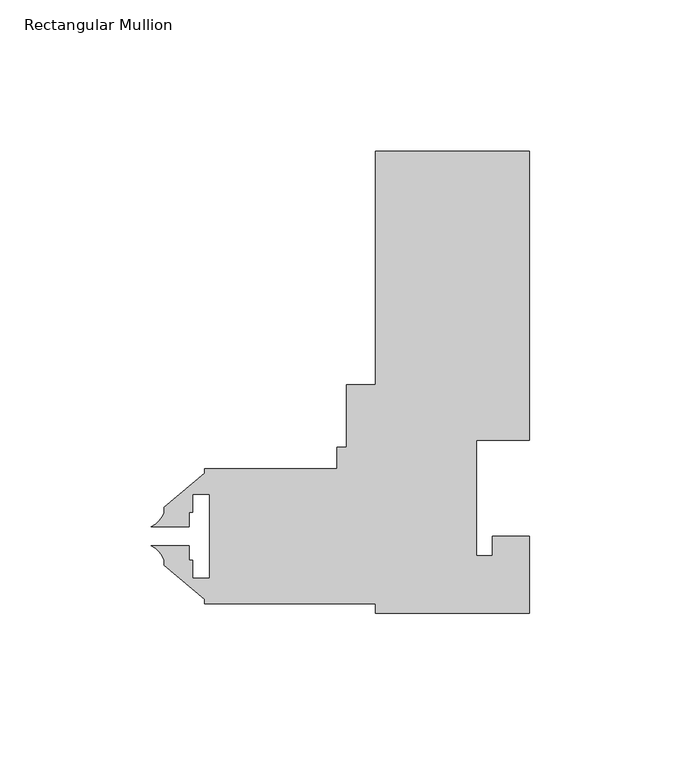
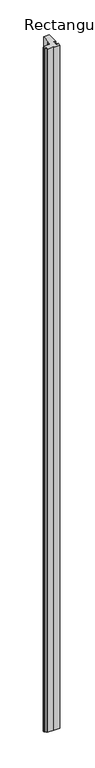
"""IFC4 building model written with IfcOpenShell, lengths in millimetres: member geometry, Rectangular Mullion."""

from ifc_helpers import new_model, si_unit, point, frame, frame_2d, origin, place, context, project, spatial, polyline, circle_curve, trimmed, segment, composite_curve, outline, extrude, source, transform, mapped, element, save


def rectangular_mullion_c13cd986(model_context):
    return source(origin(), model_context, "Body", "SweptSolid", [
        extrude(outline(composite_curve([segment(polyline([(-25.4, 75.4126), (-25.4, 152.4), (25.4, 152.4), (25.4, 57.15), (7.9502, 57.15), (7.9502, 19.05), (13.2080102, 19.05), (13.2080102, 25.4), (25.4, 25.4), (25.4, 0.0), (-25.4, 0.0), (-25.4, 3.175), (-81.75625, 3.175), (-81.75625, 4.5691667), (-95.21825, 15.865126), (-95.21825, 17.5532603)]), True, "CONTINUOUS"), segment(trimmed(circle_curve(frame_2d((-102.5942524, 15.1631039)), 7.7535965), [point((-95.21825, 17.5532603))], [point((-99.4160584, 22.2353979))], True, "CARTESIAN"), True, "CONTINUOUS"), segment(polyline([(-99.4160584, 22.2353979), (-86.92348, 22.2353979), (-86.92348, 17.47266), (-85.79485, 17.47266), (-85.79485, 11.50366), (-80.18145, 11.50366), (-80.18145, 39.29126), (-85.79485, 39.29126), (-85.79485, 33.32226), (-86.92348, 33.32226), (-86.92348, 28.5595155), (-99.4160731, 28.5595155)]), True, "CONTINUOUS"), segment(trimmed(circle_curve(frame_2d((-102.5942524, 35.6318161)), 7.7535965), [point((-99.4160731, 28.5595155))], [point((-95.21825, 33.2416597))], True, "CARTESIAN"), True, "CONTINUOUS"), segment(polyline([(-95.21825, 33.2416597), (-95.21825, 34.929794), (-81.75625, 46.2257533), (-81.75625, 47.625), (-38.1, 47.625), (-38.1, 54.7878), (-34.925, 54.7878), (-34.925, 75.4126), (-25.4, 75.4126)]), True, "CONTINUOUS")], self_intersect=False)), frame((0.0, 0.0, -6181.5245183), z_axis=(0.0, 0.0, 1.0), x_axis=(1.0, 0.0, 0.0)), (0.0, 0.0, 1.0), 6181.5245183),
    ])


if __name__ == "__main__":
    model = new_model("IFC4")
    model_context = context("Model", 3, world=origin())
    ifc_project = project(units=[si_unit("LENGTHUNIT", "METRE", prefix="MILLI")], contexts=[model_context])
    site = spatial("IfcSite", under=ifc_project)
    building = spatial("IfcBuilding", under=site)
    placement = place(None, origin())
    rectangular_mullion_shape = rectangular_mullion_c13cd986(model_context)
    element("IfcMember", 1, ObjectType="Rectangular Mullion", at=placement, inside=building, context=model_context, shape_type="MappedRepresentation", body=[
        mapped(rectangular_mullion_shape, transform((0.0, 0.0, 0.0), x_axis=(1.0, 0.0, 0.0), y_axis=(0.0, 1.0, 0.0), z_axis=(0.0, 0.0, 1.0))),
    ])
    save(model, "model.ifc")
